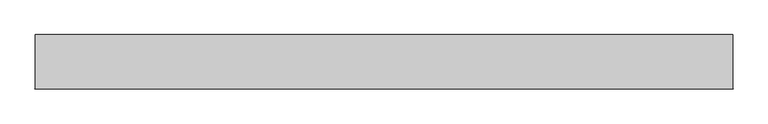
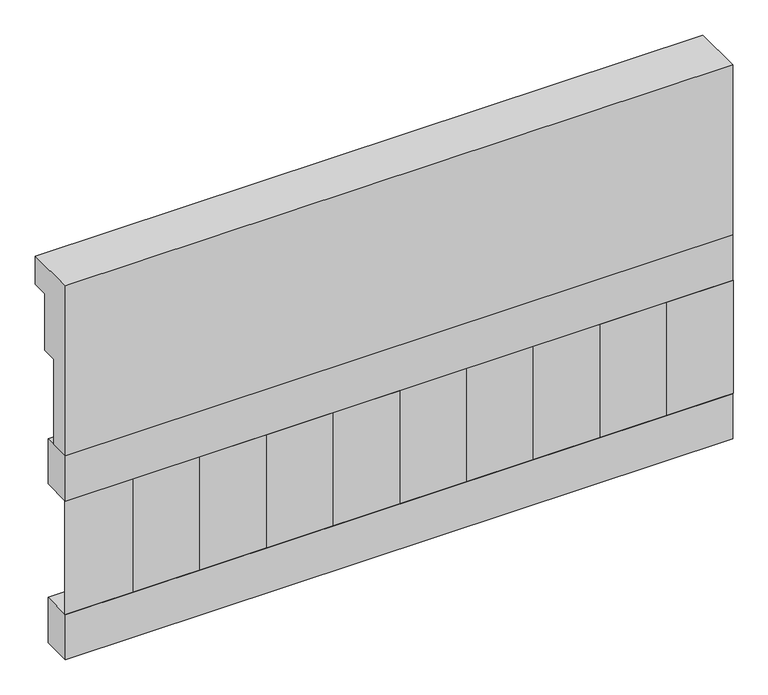
"""IFC4 building model written with IfcOpenShell, lengths in millimetres: railing geometry."""

from ifc_helpers import new_model, si_unit, frame, origin, place, context, project, spatial, polyline, outline, extrude, source, transform, mapped, element, save


def railing_7296b031(model_context):
    return source(origin(), model_context, "Body", "SweptSolid", [
        extrude(outline(polyline([(903.1079487, 28400.0), (1033.1079487, 28400.0), (1033.1079487, 28325.0), (993.1079487, 28325.0), (993.1079487, 28175.0), (953.1079487, 28175.0), (953.1079487, 27950.0), (903.1079487, 27950.0), (903.1079487, 28400.0)])), frame((36460.0112841, 0.0, 0.0), z_axis=(1.0, 0.0, 0.0), x_axis=(0.0, 1.0, 0.0)), (0.0, 0.0, 1.0), 1670.0),
        extrude(outline(polyline([(38130.0112841, 978.1079487), (38130.0112841, 903.1079487), (36460.0112841, 903.1079487), (36460.0112841, 978.1079487), (38130.0112841, 978.1079487)])), frame((0.0, 0.0, 27830.0), z_axis=(0.0, 0.0, 1.0), x_axis=(1.0, 0.0, 0.0)), (0.0, 0.0, 1.0), 120.0),
        extrude(outline(polyline([(38130.0112841, 978.1079487), (38130.0112841, 903.1079487), (36460.0112841, 903.1079487), (36460.0112841, 978.1079487), (38130.0112841, 978.1079487)])), frame((0.0, 0.0, 27410.0), z_axis=(0.0, 0.0, 1.0), x_axis=(1.0, 0.0, 0.0)), (0.0, 0.0, 1.0), 120.0),
        extrude(outline(polyline([(36543.5112841, 987.9607624), (36628.3640978, 903.1079487), (36458.6584704, 903.1079487), (36543.5112841, 987.9607624)])), frame((0.0, 0.0, 27530.0), z_axis=(0.0, 0.0, 1.0), x_axis=(1.0, 0.0, 0.0)), (0.0, 0.0, 1.0), 300.0),
        extrude(outline(polyline([(36710.5112841, 987.9607624), (36795.3640978, 903.1079487), (36625.6584704, 903.1079487), (36710.5112841, 987.9607624)])), frame((0.0, 0.0, 27530.0), z_axis=(0.0, 0.0, 1.0), x_axis=(1.0, 0.0, 0.0)), (0.0, 0.0, 1.0), 300.0),
        extrude(outline(polyline([(36877.5112841, 987.9607624), (36962.3640978, 903.1079487), (36792.6584704, 903.1079487), (36877.5112841, 987.9607624)])), frame((0.0, 0.0, 27530.0), z_axis=(0.0, 0.0, 1.0), x_axis=(1.0, 0.0, 0.0)), (0.0, 0.0, 1.0), 300.0),
        extrude(outline(polyline([(37044.5112841, 987.9607624), (37129.3640978, 903.1079487), (36959.6584704, 903.1079487), (37044.5112841, 987.9607624)])), frame((0.0, 0.0, 27530.0), z_axis=(0.0, 0.0, 1.0), x_axis=(1.0, 0.0, 0.0)), (0.0, 0.0, 1.0), 300.0),
        extrude(outline(polyline([(37211.5112841, 987.9607624), (37296.3640978, 903.1079487), (37126.6584704, 903.1079487), (37211.5112841, 987.9607624)])), frame((0.0, 0.0, 27530.0), z_axis=(0.0, 0.0, 1.0), x_axis=(1.0, 0.0, 0.0)), (0.0, 0.0, 1.0), 300.0),
        extrude(outline(polyline([(37378.5112841, 987.9607624), (37463.3640978, 903.1079487), (37293.6584704, 903.1079487), (37378.5112841, 987.9607624)])), frame((0.0, 0.0, 27530.0), z_axis=(0.0, 0.0, 1.0), x_axis=(1.0, 0.0, 0.0)), (0.0, 0.0, 1.0), 300.0),
        extrude(outline(polyline([(37545.5112841, 987.9607624), (37630.3640978, 903.1079487), (37460.6584704, 903.1079487), (37545.5112841, 987.9607624)])), frame((0.0, 0.0, 27530.0), z_axis=(0.0, 0.0, 1.0), x_axis=(1.0, 0.0, 0.0)), (0.0, 0.0, 1.0), 300.0),
        extrude(outline(polyline([(37712.5112841, 987.9607624), (37797.3640978, 903.1079487), (37627.6584704, 903.1079487), (37712.5112841, 987.9607624)])), frame((0.0, 0.0, 27530.0), z_axis=(0.0, 0.0, 1.0), x_axis=(1.0, 0.0, 0.0)), (0.0, 0.0, 1.0), 300.0),
        extrude(outline(polyline([(37879.5112841, 987.9607624), (37964.3640978, 903.1079487), (37794.6584704, 903.1079487), (37879.5112841, 987.9607624)])), frame((0.0, 0.0, 27530.0), z_axis=(0.0, 0.0, 1.0), x_axis=(1.0, 0.0, 0.0)), (0.0, 0.0, 1.0), 300.0),
        extrude(outline(polyline([(38046.5112841, 987.9607624), (38131.3640978, 903.1079487), (37961.6584704, 903.1079487), (38046.5112841, 987.9607624)])), frame((0.0, 0.0, 27530.0), z_axis=(0.0, 0.0, 1.0), x_axis=(1.0, 0.0, 0.0)), (0.0, 0.0, 1.0), 300.0),
    ])


if __name__ == "__main__":
    model = new_model("IFC4")
    model_context = context("Model", 3, world=origin())
    ifc_project = project(units=[si_unit("LENGTHUNIT", "METRE", prefix="MILLI")], contexts=[model_context])
    site = spatial("IfcSite", under=ifc_project)
    building = spatial("IfcBuilding", under=site)
    placement = place(None, origin())
    railing_shape = railing_7296b031(model_context)
    element("IfcRailing", 1, at=placement, inside=building, context=model_context, shape_type="MappedRepresentation", body=[
        mapped(railing_shape, transform((0.0, 0.0, 0.0), x_axis=(1.0, 0.0, 0.0), y_axis=(0.0, 1.0, 0.0), z_axis=(0.0, 0.0, 1.0))),
    ])
    save(model, "model.ifc")
